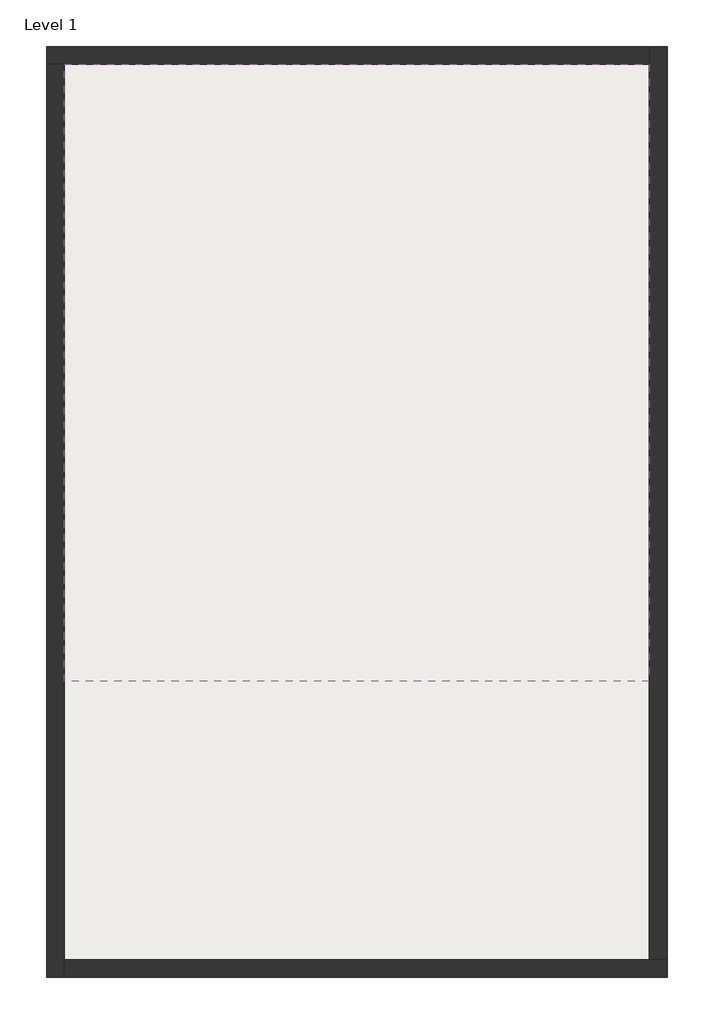
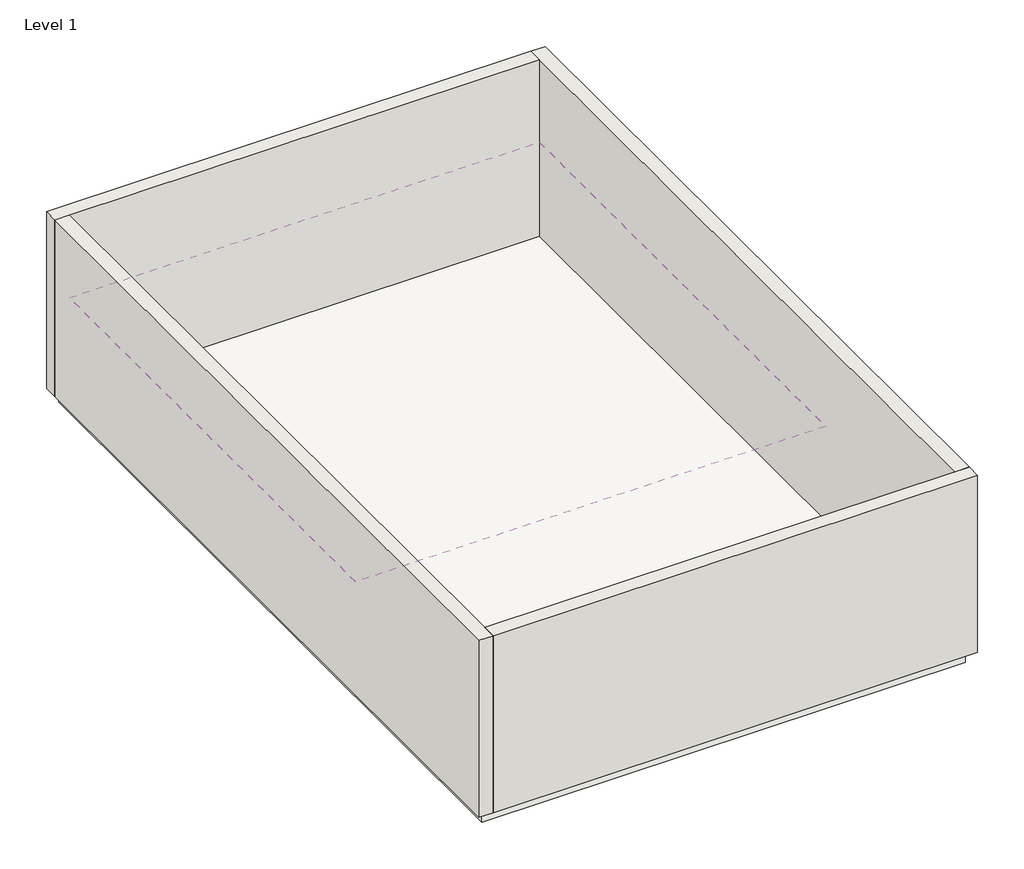
# One storey: 4 walls, 1 covering, 1 slab.
"""IFC4 building model written with IfcOpenShell, lengths in millimetres."""

from ifc_helpers import new_model, si_unit, frame, origin, place, context, project, spatial, polyline, outline, extrude, faceted_brep, element, save

model = new_model("IFC4")

# Units and contexts
model_context = context("Model", 3, world=origin())
ifc_project = project(units=[si_unit("LENGTHUNIT", "METRE", prefix="MILLI")], contexts=[model_context])

# Site, building, storey
site = spatial("IfcSite", under=ifc_project)
building = spatial("IfcBuilding", under=site)
storey = spatial("IfcBuildingStorey", under=building, Name="Level 1", Elevation=0.0)

# Covering
placement = place(None, origin())
element("IfcCovering", 1, ObjectType="GWB on Mtl. Stud", at=placement, inside=storey, context=model_context, shape_type="SweptSolid", body=[
    extrude(outline(polyline([(995.5549985, 13099.0256461), (995.5549985, 981.6381461), (-10491.5950015, 981.6381461), (-10491.5950015, 13099.0256461), (995.5549985, 13099.0256461)])), frame((0.0, 0.0, 2438.4), z_axis=(0.0, 0.0, 1.0), x_axis=(1.0, 0.0, 0.0)), (0.0, 0.0, 1.0), 107.95),
])

# Slab
element("IfcSlab", 2, ObjectType="Generic - 12\"", at=placement, inside=storey, context=model_context, shape_type="SweptSolid", body=[
    extrude(outline(polyline([(1160.6549985, 13264.1256461), (1160.6549985, -4649.2243539), (-10656.6950015, -4649.2243539), (-10656.6950015, 13264.1256461), (1160.6549985, 13264.1256461)])), frame((0.0, 0.0, -304.8), z_axis=(0.0, 0.0, 1.0), x_axis=(1.0, 0.0, 0.0)), (0.0, 0.0, 1.0), 304.8),
])

# Walls
element("IfcWall", 3, ObjectType="Exterior - Brick on Mtl. Stud", at=placement, inside=storey, context=model_context, shape_type="Brep", body=[
    faceted_brep([(-10844.0200015, 13099.0256461, 0.0), (-10491.5950015, 13099.0256461, 0.0), (995.5549985, 13099.0256461, 0.0), (995.5549985, 13099.0256461, 4572.0), (-10491.5950015, 13099.0256461, 4572.0), (-10844.0200015, 13099.0256461, 4572.0), (-10844.0200015, 13451.4506461, 0.0), (-10844.0200015, 13451.4506461, 4572.0), (995.5549985, 13451.4506461, 4572.0), (995.5549985, 13451.4506461, 0.0)], [[[0, 1, 2, 3, 4, 5]], [[6, 7, 8, 9]], [[2, 1, 0, 6, 9]], [[5, 4, 3, 8, 7]], [[0, 5, 7, 6]], [[3, 2, 9, 8]]]),
])
element("IfcWall", 4, ObjectType="Exterior - Brick on Mtl. Stud", at=placement, inside=storey, context=model_context, shape_type="Brep", body=[
    faceted_brep([(-10491.5950015, -4836.5493539, 0.0), (-10491.5950015, -4484.1243539, 0.0), (-10491.5950015, 13099.0256461, 0.0), (-10491.5950015, 13099.0256461, 4572.0), (-10491.5950015, -4484.1243539, 4572.0), (-10491.5950015, -4836.5493539, 4572.0), (-10844.0200015, -4836.5493539, 0.0), (-10844.0200015, -4836.5493539, 4572.0), (-10844.0200015, 13099.0256461, 4572.0), (-10844.0200015, 13099.0256461, 0.0)], [[[0, 1, 2, 3, 4, 5]], [[6, 7, 8, 9]], [[2, 1, 0, 6, 9]], [[5, 4, 3, 8, 7]], [[0, 5, 7, 6]], [[3, 2, 9, 8]]]),
])
element("IfcWall", 5, ObjectType="Exterior - Brick on Mtl. Stud", at=placement, inside=storey, context=model_context, shape_type="Brep", body=[
    faceted_brep([(1347.9799985, -4484.1243539, 0.0), (995.5549985, -4484.1243539, 0.0), (-10491.5950015, -4484.1243539, 0.0), (-10491.5950015, -4484.1243539, 4572.0), (995.5549985, -4484.1243539, 4572.0), (1347.9799985, -4484.1243539, 4572.0), (1347.9799985, -4836.5493539, 0.0), (1347.9799985, -4836.5493539, 4572.0), (-10491.5950015, -4836.5493539, 4572.0), (-10491.5950015, -4836.5493539, 0.0)], [[[0, 1, 2, 3, 4, 5]], [[6, 7, 8, 9]], [[2, 1, 0, 6, 9]], [[5, 4, 3, 8, 7]], [[0, 5, 7, 6]], [[3, 2, 9, 8]]]),
])
element("IfcWall", 6, ObjectType="Exterior - Brick on Mtl. Stud", at=placement, inside=storey, context=model_context, shape_type="Brep", body=[
    faceted_brep([(995.5549985, 13451.4506461, 0.0), (995.5549985, 13099.0256461, 0.0), (995.5549985, -4484.1243539, 0.0), (995.5549985, -4484.1243539, 4572.0), (995.5549985, 13099.0256461, 4572.0), (995.5549985, 13451.4506461, 4572.0), (1347.9799985, 13451.4506461, 0.0), (1347.9799985, 13451.4506461, 4572.0), (1347.9799985, -4484.1243539, 4572.0), (1347.9799985, -4484.1243539, 0.0)], [[[0, 1, 2, 3, 4, 5]], [[6, 7, 8, 9]], [[2, 1, 0, 6, 9]], [[5, 4, 3, 8, 7]], [[0, 5, 7, 6]], [[3, 2, 9, 8]]]),
])

save(model, "model.ifc")
